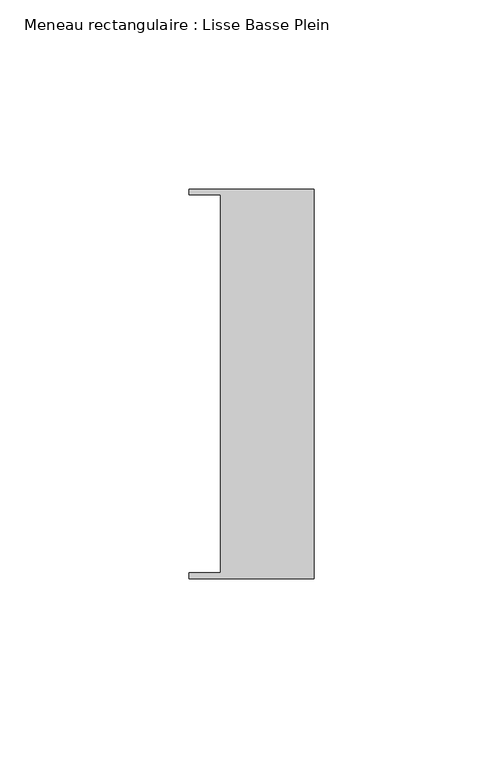
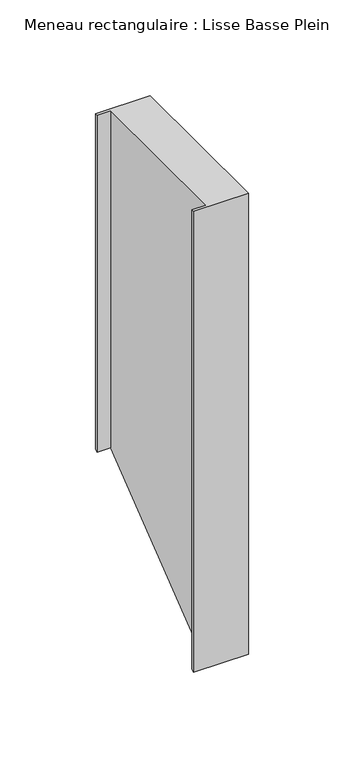
"""IFC4 building model written with IfcOpenShell, lengths in millimetres: member geometry, Meneau rectangulaire : Lisse Basse Plein."""

from ifc_helpers import new_model, si_unit, origin, place, context, project, spatial, faceted_brep, source, transform, mapped, element, save


def meneau_rectangulaire_lisse_basse_plein_8ca83a0f(model_context):
    return source(origin(), model_context, "Body", "Brep", [
        faceted_brep([(0.0, -51.5026203, 0.0), (0.0, 51.5026203, 0.0), (-33.0710396, 51.5026203, 0.0), (-33.0710396, 49.9505686, 0.0), (-24.7130865, 49.9505686, 0.0), (-24.7130865, -49.9505686, 0.0), (-33.0710396, -49.9505686, 0.0), (-33.0710396, -51.5026203, 0.0), (0.0, -51.5026203, -294.5608844), (0.0, 51.5026203, -214.2457148), (-33.0710396, 51.5026203, -214.2457148), (-33.0710396, 49.9505686, -215.4558793), (-24.7130865, 49.9505686, -215.4558793), (-24.7130865, -49.9505686, -293.3507198), (-33.0710396, -49.9505686, -293.3507198), (-33.0710396, -51.5026203, -294.5608844)], [[[0, 1, 2, 3, 4, 5, 6, 7]], [[1, 0, 8, 9]], [[2, 1, 9, 10]], [[3, 2, 10, 11]], [[4, 3, 11, 12]], [[5, 4, 12, 13]], [[6, 5, 13, 14]], [[7, 6, 14, 15]], [[0, 7, 15, 8]], [[8, 15, 14, 13, 12, 11, 10, 9]]]),
    ])


if __name__ == "__main__":
    model = new_model("IFC4")
    model_context = context("Model", 3, world=origin())
    ifc_project = project(units=[si_unit("LENGTHUNIT", "METRE", prefix="MILLI")], contexts=[model_context])
    site = spatial("IfcSite", under=ifc_project)
    building = spatial("IfcBuilding", under=site)
    placement = place(None, origin())
    meneau_rectangulaire_lisse_basse_plein_shape = meneau_rectangulaire_lisse_basse_plein_8ca83a0f(model_context)
    element("IfcMember", 1, ObjectType="Meneau rectangulaire : Lisse Basse Plein", at=placement, inside=building, context=model_context, shape_type="MappedRepresentation", body=[
        mapped(meneau_rectangulaire_lisse_basse_plein_shape, transform((0.0, 0.0, 0.0), x_axis=(1.0, 0.0, 0.0), y_axis=(0.0, 1.0, 0.0), z_axis=(0.0, 0.0, 1.0))),
    ])
    save(model, "model.ifc")
